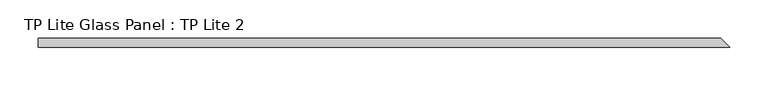
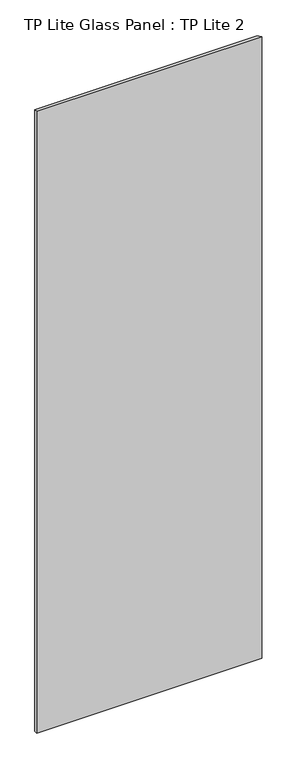
"""IFC4 building model written with IfcOpenShell, lengths in millimetres: plate geometry, TP Lite Glass Panel : TP Lite 2."""

from ifc_helpers import new_model, si_unit, origin, origin_with_axes, place, context, project, spatial, polyline, outline, extrude, source, transform, mapped, element, save


def tp_lite_glass_panel_tp_lite_2_617fe05c(model_context):
    return source(origin(), model_context, "Body", "SweptSolid", [
        extrude(outline(polyline([(455.5, -6.0), (-449.5, -6.0), (-449.5, 6.0), (443.5, 6.0), (455.5, -6.0)])), origin_with_axes(), (0.0, 0.0, 1.0), 2640.0000015),
    ])


if __name__ == "__main__":
    model = new_model("IFC4")
    model_context = context("Model", 3, world=origin())
    ifc_project = project(units=[si_unit("LENGTHUNIT", "METRE", prefix="MILLI")], contexts=[model_context])
    site = spatial("IfcSite", under=ifc_project)
    building = spatial("IfcBuilding", under=site)
    placement = place(None, origin())
    tp_lite_glass_panel_tp_lite_2_shape = tp_lite_glass_panel_tp_lite_2_617fe05c(model_context)
    element("IfcPlate", 1, ObjectType="TP Lite Glass Panel : TP Lite 2", at=placement, inside=building, context=model_context, shape_type="MappedRepresentation", body=[
        mapped(tp_lite_glass_panel_tp_lite_2_shape, transform((0.0, 0.0, 0.0), x_axis=(1.0, 0.0, 0.0), y_axis=(0.0, 1.0, 0.0), z_axis=(0.0, 0.0, 1.0))),
    ])
    save(model, "model.ifc")
